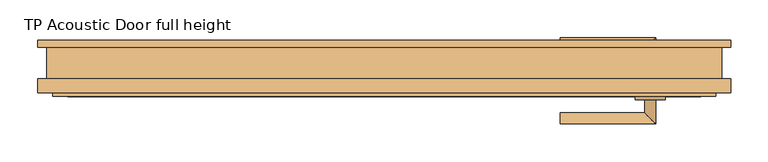
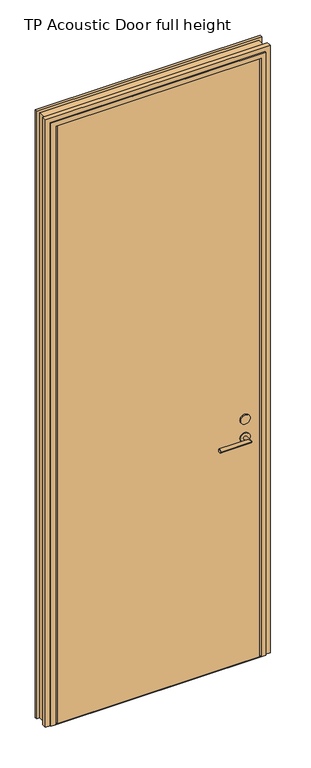
"""IFC4 building model written with IfcOpenShell, lengths in millimetres: door geometry, TP Acoustic Door full height."""

from ifc_helpers import new_model, si_unit, point, frame, frame_2d, origin, origin_with_axes, place, context, project, spatial, polyline, circle_curve, ellipse_curve, trimmed, segment, composite_curve, outline, extrude, faceted_brep, source, transform, mapped, element, save
from ifc_brep_helpers import plane_surface, cylinder_surface, advanced_brep


def tp_acoustic_door_full_height_8bbdd505(model_context):
    return source(origin(), model_context, "Body", "SolidModel", [
        extrude(outline(composite_curve([segment(trimmed(circle_curve(frame_2d((1057.0, 355.0)), 20.0), [point((1057.0, 375.0))], [point((1057.0, 335.0))], False, "CARTESIAN"), True, "CONTINUOUS"), segment(trimmed(circle_curve(frame_2d((1057.0, 355.0)), 20.0), [point((1057.0, 335.0))], [point((1057.0, 375.0))], False, "CARTESIAN"), True, "CONTINUOUS")], self_intersect=False)), frame((0.0, -3.5, 0.0), z_axis=(0.0, 1.0, 0.0), x_axis=(0.0, 0.0, 1.0)), (0.0, 0.0, 1.0), 5.0),
        extrude(outline(composite_curve([segment(trimmed(circle_curve(frame_2d((1057.0, 355.0)), 20.0), [point((1057.0, 375.0))], [point((1057.0, 335.0))], False, "CARTESIAN"), True, "CONTINUOUS"), segment(trimmed(circle_curve(frame_2d((1057.0, 355.0)), 20.0), [point((1057.0, 335.0))], [point((1057.0, 375.0))], False, "CARTESIAN"), True, "CONTINUOUS")], self_intersect=False)), frame((0.0, -48.5, 0.0), z_axis=(0.0, 1.0, 0.0), x_axis=(0.0, 0.0, 1.0)), (0.0, 0.0, 1.0), 5.0),
        extrude(outline(composite_curve([segment(trimmed(circle_curve(frame_2d((977.0, 355.0)), 20.0), [point((977.0, 375.0))], [point((977.0, 335.0))], False, "CARTESIAN"), True, "CONTINUOUS"), segment(trimmed(circle_curve(frame_2d((977.0, 355.0)), 20.0), [point((977.0, 335.0))], [point((977.0, 375.0))], False, "CARTESIAN"), True, "CONTINUOUS")], self_intersect=False), holes=[composite_curve([segment(trimmed(circle_curve(frame_2d((977.0, 355.0)), 7.5), [point((977.0, 362.5))], [point((977.0, 347.5))], True, "CARTESIAN"), True, "CONTINUOUS"), segment(trimmed(circle_curve(frame_2d((977.0, 355.0)), 7.5), [point((977.0, 347.5))], [point((977.0, 362.5))], True, "CARTESIAN"), True, "CONTINUOUS")], self_intersect=False)]), frame((0.0, -48.5, 0.0), z_axis=(0.0, 1.0, 0.0), x_axis=(0.0, 0.0, 1.0)), (0.0, 0.0, 1.0), 5.0),
        extrude(outline(composite_curve([segment(trimmed(circle_curve(frame_2d((977.0, 355.0)), 20.0), [point((977.0, 375.0))], [point((977.0, 335.0))], False, "CARTESIAN"), True, "CONTINUOUS"), segment(trimmed(circle_curve(frame_2d((977.0, 355.0)), 20.0), [point((977.0, 335.0))], [point((977.0, 375.0))], False, "CARTESIAN"), True, "CONTINUOUS")], self_intersect=False), holes=[composite_curve([segment(trimmed(circle_curve(frame_2d((977.0, 355.0)), 7.5), [point((977.0, 362.5))], [point((977.0, 347.5))], True, "CARTESIAN"), True, "CONTINUOUS"), segment(trimmed(circle_curve(frame_2d((977.0, 355.0)), 7.5), [point((977.0, 347.5))], [point((977.0, 362.5))], True, "CARTESIAN"), True, "CONTINUOUS")], self_intersect=False)]), frame((0.0, -3.5, 0.0), z_axis=(0.0, 1.0, 0.0), x_axis=(0.0, 0.0, 1.0)), (0.0, 0.0, 1.0), 5.0),
        advanced_brep(
        [(362.5, -3.5, 977.0), (347.5, -3.5, 977.0), (362.5, 34.0, 977.0), (347.5, 19.0, 977.0), (235.0, 34.0, 977.0), (235.0, 19.0, 977.0)],
        [
            (0, 1, circle_curve(frame((355.0, -3.5, 977.0), z_axis=(0.0, -1.0, 0.0), x_axis=(-1.0, 0.0, 0.0)), 7.5)),
            (1, 0, circle_curve(frame((355.0, -3.5, 977.0), z_axis=(0.0, -1.0, 0.0), x_axis=(-1.0, 0.0, 0.0)), 7.5)),
            (0, 2),
            (2, 3, ellipse_curve(frame((355.0, 26.5, 977.0), z_axis=(0.7071067811865475, -0.7071067811865475, 0.0), x_axis=(-0.7071067811865474, -0.7071067811865476, 0.0)), 10.6066017, 7.5)),
            (3, 1),
            (3, 2, ellipse_curve(frame((355.0, 26.5, 977.0), z_axis=(0.7071067811865475, -0.7071067811865475, 0.0), x_axis=(-0.7071067811865474, -0.7071067811865476, 0.0)), 10.6066017, 7.5)),
            (4, 5, circle_curve(frame((235.0, 26.5, 977.0), z_axis=(-1.0, 0.0, 0.0), x_axis=(0.0, -1.0, 0.0)), 7.5)),
            (5, 4, circle_curve(frame((235.0, 26.5, 977.0), z_axis=(-1.0, 0.0, 0.0), x_axis=(0.0, -1.0, 0.0)), 7.5)),
            (2, 4),
            (5, 3),
        ],
        [
            plane_surface(frame((355.0, -3.5, 977.0), z_axis=(0.0, -1.0, 0.0), x_axis=(0.0, 0.0, 1.0))),
            cylinder_surface(frame((355.0, -3.5, 977.0), z_axis=(0.0, -1.0, 0.0), x_axis=(-1.0, 0.0, 0.0)), 7.5),
            plane_surface(frame((235.0, 26.5, 977.0), z_axis=(-1.0, 0.0, 0.0), x_axis=(0.0, 0.0, 1.0))),
            cylinder_surface(frame((355.0, 26.5, 977.0), z_axis=(1.0, 0.0, 0.0), x_axis=(0.0, -1.0, 0.0)), 7.5),
        ],
        [
            (0, [[1, 2]]),
            (1, [[-1, 3, 4, 5]]),
            (1, [[-2, -5, 6, -3]]),
            (2, [[7, 8]]),
            (3, [[-4, 9, -8, 10]]),
            (3, [[-6, -10, -7, -9]]),
        ],
    ),
        advanced_brep(
        [(347.5, -43.5, 977.0), (362.5, -43.5, 977.0), (347.5, -66.0, 977.0), (362.5, -81.0, 977.0), (235.0, -66.0, 977.0), (235.0, -81.0, 977.0)],
        [
            (0, 1, circle_curve(frame((355.0, -43.5, 977.0), z_axis=(0.0, 1.0, 0.0), x_axis=(1.0, 0.0, 0.0)), 7.5)),
            (1, 0, circle_curve(frame((355.0, -43.5, 977.0), z_axis=(0.0, 1.0, 0.0), x_axis=(1.0, 0.0, 0.0)), 7.5)),
            (0, 2),
            (2, 3, ellipse_curve(frame((355.0, -73.5, 977.0), z_axis=(0.7071067811865475, 0.7071067811865475, 0.0), x_axis=(-0.7071067811865474, 0.7071067811865476, 0.0)), 10.6066017, 7.5)),
            (3, 1),
            (3, 2, ellipse_curve(frame((355.0, -73.5, 977.0), z_axis=(0.7071067811865475, 0.7071067811865475, 0.0), x_axis=(-0.7071067811865474, 0.7071067811865476, 0.0)), 10.6066017, 7.5)),
            (4, 5, circle_curve(frame((235.0, -73.5, 977.0), z_axis=(-1.0, 0.0, 0.0), x_axis=(0.0, -1.0, 0.0)), 7.5)),
            (5, 4, circle_curve(frame((235.0, -73.5, 977.0), z_axis=(-1.0, 0.0, 0.0), x_axis=(0.0, -1.0, 0.0)), 7.5)),
            (2, 4),
            (5, 3),
        ],
        [
            plane_surface(frame((355.0, -43.5, 977.0), z_axis=(0.0, 1.0, 0.0), x_axis=(0.0, 0.0, 1.0))),
            cylinder_surface(frame((355.0, -43.5, 977.0), z_axis=(0.0, 1.0, 0.0), x_axis=(1.0, 0.0, 0.0)), 7.5),
            plane_surface(frame((235.0, -73.5, 977.0), z_axis=(-1.0, 0.0, 0.0), x_axis=(0.0, 0.0, 1.0))),
            cylinder_surface(frame((355.0, -73.5, 977.0), z_axis=(1.0, 0.0, 0.0), x_axis=(0.0, -1.0, 0.0)), 7.5),
        ],
        [
            (0, [[1, 2]]),
            (1, [[-1, 3, 4, 5]]),
            (1, [[-2, -5, 6, -3]]),
            (2, [[7, 8]]),
            (3, [[-4, 9, -8, 10]]),
            (3, [[-6, -10, -7, -9]]),
        ],
    ),
        faceted_brep([(450.0, 21.0, 0.0), (450.0, -21.0, 0.0), (462.0, -21.0, 0.0), (462.0, -39.5, 0.0), (442.0, -39.5, 0.0), (442.0, -44.5, 0.0), (422.0, -44.5, 0.0), (422.0, -0.5, 0.0), (410.0, -0.5, 0.0), (410.0, 18.5, 0.0), (423.0, 18.5, 0.0), (423.0, 30.5, 0.0), (462.0, 30.5, 0.0), (462.0, 21.0, 0.0), (462.0, 21.0, 2640.0), (-462.0, 21.0, 2640.0), (-462.0, 21.0, 0.0), (-450.0, 21.0, 0.0), (-450.0, 21.0, 2628.0), (450.0, 21.0, 2628.0), (462.0, 30.5, 2640.0), (423.0, 30.5, 2601.0), (-423.0, 30.5, 2601.0), (-423.0, 30.5, 0.0), (-462.0, 30.5, 0.0), (-462.0, 30.5, 2640.0), (423.0, 18.5, 2601.0), (410.0, 18.5, 2588.0), (-410.0, 18.5, 2588.0), (-410.0, 18.5, 0.0), (-423.0, 18.5, 0.0), (-423.0, 18.5, 2601.0), (410.0, -0.5, 2588.0), (422.0, -0.5, 2600.0), (-422.0, -0.5, 2600.0), (-422.0, -0.5, 0.0), (-410.0, -0.5, 0.0), (-410.0, -0.5, 2588.0), (422.0, -44.5, 2600.0), (442.0, -44.5, 2620.0), (-442.0, -44.5, 2620.0), (-442.0, -44.5, 0.0), (-422.0, -44.5, 0.0), (-422.0, -44.5, 2600.0), (442.0, -39.5, 2620.0), (462.0, -39.5, 2640.0), (-462.0, -39.5, 2640.0), (-462.0, -39.5, 0.0), (-442.0, -39.5, 0.0), (-442.0, -39.5, 2620.0), (462.0, -21.0, 2640.0), (450.0, -21.0, 2628.0), (-450.0, -21.0, 2628.0), (-450.0, -21.0, 0.0), (-462.0, -21.0, 0.0), (-462.0, -21.0, 2640.0)], [[[0, 1, 2, 3, 4, 5, 6, 7, 8, 9, 10, 11, 12, 13]], [[13, 14, 15, 16, 17, 18, 19, 0]], [[12, 20, 14, 13]], [[11, 21, 22, 23, 24, 25, 20, 12]], [[10, 26, 21, 11]], [[9, 27, 28, 29, 30, 31, 26, 10]], [[8, 32, 27, 9]], [[7, 33, 34, 35, 36, 37, 32, 8]], [[6, 38, 33, 7]], [[5, 39, 40, 41, 42, 43, 38, 6]], [[4, 44, 39, 5]], [[3, 45, 46, 47, 48, 49, 44, 4]], [[2, 50, 45, 3]], [[1, 51, 52, 53, 54, 55, 50, 2]], [[0, 19, 51, 1]], [[17, 16, 24, 23, 30, 29, 36, 35, 42, 41, 48, 47, 54, 53]], [[18, 17, 53, 52]], [[55, 54, 47, 46]], [[49, 48, 41, 40]], [[43, 42, 35, 34]], [[37, 36, 29, 28]], [[31, 30, 23, 22]], [[25, 24, 16, 15]], [[19, 18, 52, 51]], [[20, 25, 15, 14]], [[26, 31, 22, 21]], [[32, 37, 28, 27]], [[38, 43, 34, 33]], [[44, 49, 40, 39]], [[50, 55, 46, 45]]]),
        extrude(outline(polyline([(-415.0, -3.5), (415.0, -3.5), (415.0, -43.5), (-415.0, -43.5), (-415.0, -3.5)])), origin_with_axes(), (0.0, 0.0, 1.0), 2600.0),
        extrude(outline(polyline([(422.0, -44.5), (-422.0, -44.5), (-422.0, -0.5), (-410.0, -0.5), (-410.0, 18.5), (410.0, 18.5), (410.0, -0.5), (422.0, -0.5), (422.0, -44.5)])), origin_with_axes(), (0.0, 0.0, 1.0), 2.0),
    ])


if __name__ == "__main__":
    model = new_model("IFC4")
    model_context = context("Model", 3, world=origin())
    ifc_project = project(units=[si_unit("LENGTHUNIT", "METRE", prefix="MILLI")], contexts=[model_context])
    site = spatial("IfcSite", under=ifc_project)
    building = spatial("IfcBuilding", under=site)
    placement = place(None, origin())
    tp_acoustic_door_full_height_shape = tp_acoustic_door_full_height_8bbdd505(model_context)
    element("IfcDoor", 1, ObjectType="TP Acoustic Door full height", at=placement, inside=building, context=model_context, shape_type="MappedRepresentation", body=[
        mapped(tp_acoustic_door_full_height_shape, transform((0.0, 0.0, 0.0), x_axis=(1.0, 0.0, 0.0), y_axis=(0.0, 1.0, 0.0), z_axis=(0.0, 0.0, 1.0))),
    ])
    save(model, "model.ifc")
